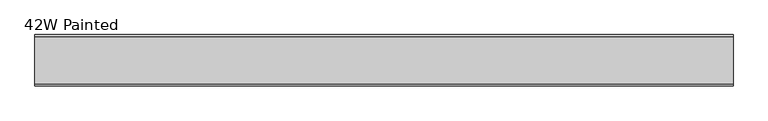
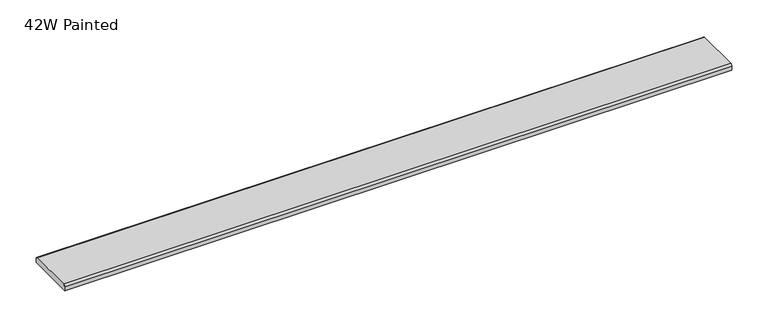
"""IFC4 building model written with IfcOpenShell, lengths in millimetres: furniture geometry, 42W Painted."""

from ifc_helpers import new_model, si_unit, point, frame, frame_2d, origin, place, context, project, spatial, polyline, circle_curve, trimmed, segment, composite_curve, outline, extrude, source, transform, mapped, element, save


def furniture_42w_painted_88141a5b(model_context):
    return source(origin(), model_context, "Body", "SweptSolid", [
        extrude(outline(composite_curve([segment(polyline([(37.5704018, 1715.516), (37.5704018, 1709.166), (-40.8679732, 1709.166), (-40.8679732, 1715.516)]), True, "CONTINUOUS"), segment(trimmed(circle_curve(frame_2d((-37.6929732, 1715.516)), 3.175), [point((-40.8679732, 1715.516))], [point((-37.6929732, 1718.691))], False, "CARTESIAN"), True, "CONTINUOUS"), segment(polyline([(-37.6929732, 1718.691), (34.3954018, 1718.691)]), True, "CONTINUOUS"), segment(trimmed(circle_curve(frame_2d((34.3954018, 1715.516)), 3.175), [point((34.3954018, 1718.691))], [point((37.5704018, 1715.516))], False, "CARTESIAN"), True, "CONTINUOUS")], self_intersect=False)), frame((-531.174325, 0.0, 0.0), z_axis=(1.0, 0.0, 0.0), x_axis=(0.0, 1.0, 0.0)), (0.0, 0.0, 1.0), 1062.355),
    ])


if __name__ == "__main__":
    model = new_model("IFC4")
    model_context = context("Model", 3, world=origin())
    ifc_project = project(units=[si_unit("LENGTHUNIT", "METRE", prefix="MILLI")], contexts=[model_context])
    site = spatial("IfcSite", under=ifc_project)
    building = spatial("IfcBuilding", under=site)
    placement = place(None, origin())
    furniture_42w_painted_shape = furniture_42w_painted_88141a5b(model_context)
    element("IfcFurniture", 1, ObjectType="42W Painted", at=placement, inside=building, context=model_context, shape_type="MappedRepresentation", body=[
        mapped(furniture_42w_painted_shape, transform((0.0, 0.0, 0.0), x_axis=(1.0, 0.0, 0.0), y_axis=(0.0, 1.0, 0.0), z_axis=(0.0, 0.0, 1.0))),
    ])
    save(model, "model.ifc")
